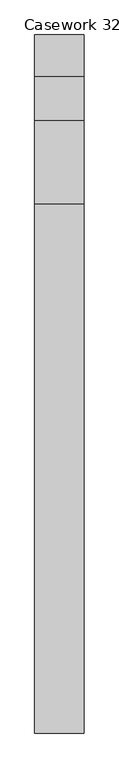
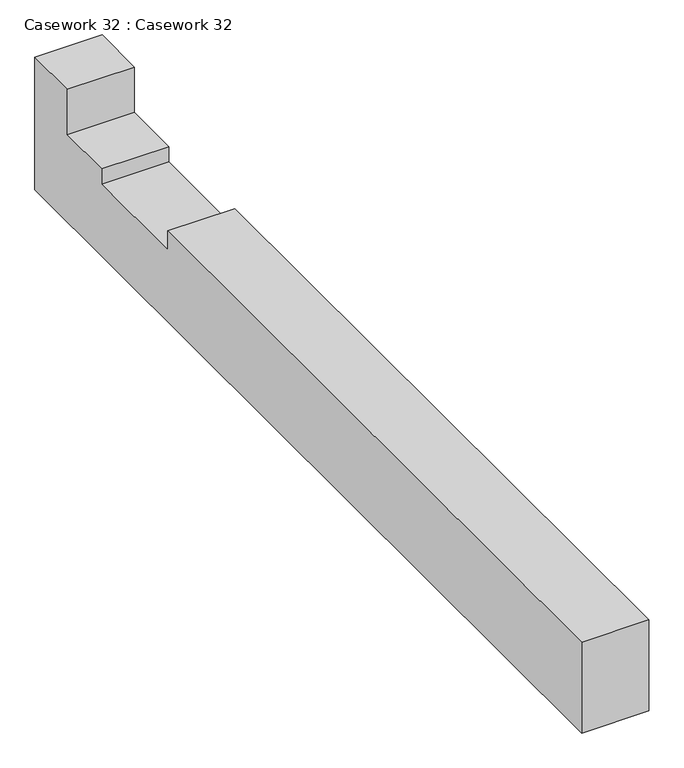
"""IFC4 building model written with IfcOpenShell, lengths in millimetres: furniture geometry, Casework 32 : Casework 32."""

from ifc_helpers import new_model, si_unit, frame, origin, place, context, project, spatial, polyline, outline, extrude, source, transform, mapped, element, save


def casework_32_casework_32_dcc1ee91(model_context):
    return source(origin(), model_context, "Body", "SweptSolid", [
        extrude(outline(polyline([(12664.0321234, -10264.0578389), (12664.0321234, -10473.7924235), (13870.5321234, -10473.7924235), (13870.5321234, -10302.1578389), (14497.6761493, -10302.1578389), (14497.6761493, -9796.5177369), (15089.4871841, -9796.5177369), (15089.4871841, -11277.6), (5101.4632442, -11277.6), (5101.4632442, -10264.0578389), (12664.0321234, -10264.0578389)])), frame((-21328.7669582, 0.0, 0.0), z_axis=(1.0, 0.0, 0.0), x_axis=(0.0, 1.0, 0.0)), (0.0, 0.0, 1.0), 708.5908234),
    ])


if __name__ == "__main__":
    model = new_model("IFC4")
    model_context = context("Model", 3, world=origin())
    ifc_project = project(units=[si_unit("LENGTHUNIT", "METRE", prefix="MILLI")], contexts=[model_context])
    site = spatial("IfcSite", under=ifc_project)
    building = spatial("IfcBuilding", under=site)
    placement = place(None, origin())
    casework_32_casework_32_shape = casework_32_casework_32_dcc1ee91(model_context)
    element("IfcFurniture", 1, ObjectType="Casework 32 : Casework 32", at=placement, inside=building, context=model_context, shape_type="MappedRepresentation", body=[
        mapped(casework_32_casework_32_shape, transform((0.0, 0.0, 0.0), x_axis=(1.0, 0.0, 0.0), y_axis=(0.0, 1.0, 0.0), z_axis=(0.0, 0.0, 1.0))),
    ])
    save(model, "model.ifc")
